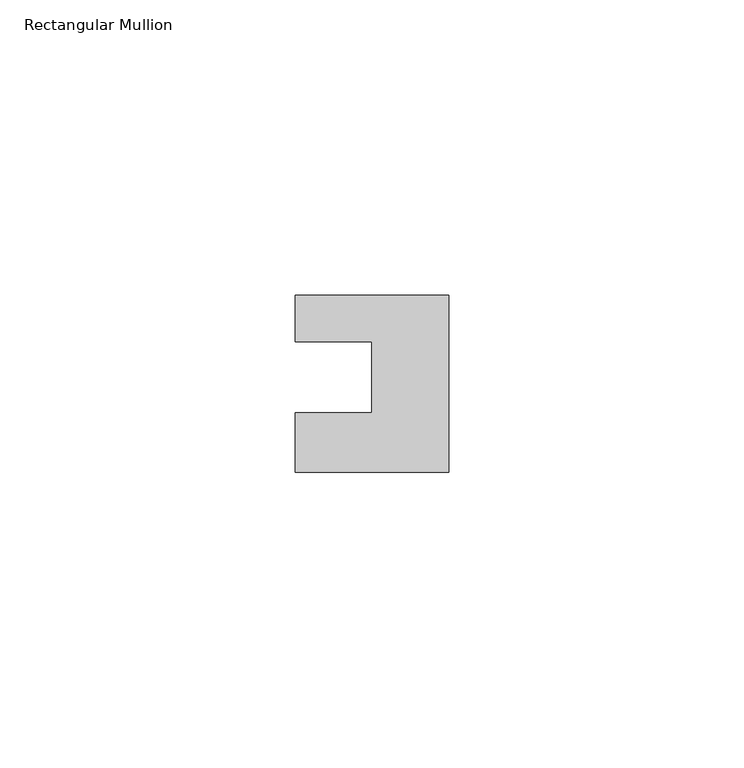
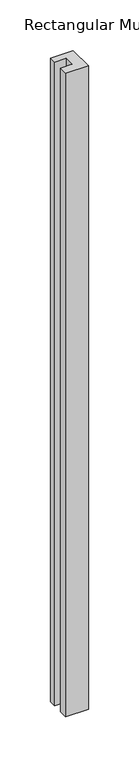
"""IFC4 building model written with IfcOpenShell, lengths in millimetres: member geometry, Rectangular Mullion."""

import ifcopenshell
import ifcopenshell.guid

model = None  # the IFC model being written
_history = None  # IfcOwnerHistory: only IFC2X3 demands one
_inside = {}  # id of a spatial element -> (the spatial element, [elements in it])
_under = {}  # id of a project, library or spatial element -> (it, [spatial elements below it])
_declared = {}  # id of a project -> (the project, [libraries it declares])
_typed = {}  # id of a type object -> (the type object, [elements of that type])
_made_of = {}  # id of a material, layer set ... -> (it, [elements and type objects made of it])


def new_model(schema):
    """Start an empty IFC model of exactly this schema.

    Asked for "IFC4X3", IfcOpenShell would pick the latest addendum, in which some entities
    have other attributes; the version numbers below select the first issue.
    IFC2X3 requires an IfcOwnerHistory on every rooted entity: one is made here for all.
    """
    global model, _history
    if schema == "IFC4X3":
        model = ifcopenshell.file(schema_version=(4, 3, 0, 0))
    else:
        model = ifcopenshell.file(schema=schema)
    _inside.clear()
    _under.clear()
    _declared.clear()
    _typed.clear()
    _made_of.clear()
    _history = None
    if model.schema == "IFC2X3":
        org = make("IfcOrganization", Name="unknown")
        user = make(
            "IfcPersonAndOrganization",
            ThePerson=make("IfcPerson", FamilyName="unknown"),
            TheOrganization=org,
        )
        app = make(
            "IfcApplication",
            ApplicationDeveloper=org,
            Version="unknown",
            ApplicationFullName="unknown",
            ApplicationIdentifier="unknown",
        )
        _history = make(
            "IfcOwnerHistory",
            OwningUser=user,
            OwningApplication=app,
            ChangeAction="ADDED",
            CreationDate=0,
        )
    return model


def make(cls, **values):
    """One entity of the class cls with the attributes given. An attribute that is None is left unset."""
    return model.create_entity(
        cls, **{name: value for name, value in values.items() if value is not None}
    )


def rooted(cls, **values):
    """An entity with a GlobalId (a new one), such as an element, a storey or a relation."""
    return make(cls, GlobalId=ifcopenshell.guid.new(), OwnerHistory=_history, **values)


def si_unit(unit_type, name, prefix=None):
    """IfcSIUnit, for example si_unit("LENGTHUNIT", "METRE", prefix="MILLI")."""
    return make("IfcSIUnit", UnitType=unit_type, Prefix=prefix, Name=name)


def assignment(units):
    """IfcUnitAssignment: the units of a project."""
    return None if units is None else make("IfcUnitAssignment", Units=units)


def point(xyz):
    """IfcCartesianPoint."""
    return None if xyz is None else make("IfcCartesianPoint", Coordinates=xyz)


def direction(xyz):
    """IfcDirection."""
    return None if xyz is None else make("IfcDirection", DirectionRatios=xyz)


def frame(location, z_axis=None, x_axis=None):
    """IfcAxis2Placement3D, a coordinate frame: its origin and axes. An axis left out is left unset."""
    return make(
        "IfcAxis2Placement3D",
        Location=point(location),
        Axis=direction(z_axis),
        RefDirection=direction(x_axis),
    )


def origin():
    """The frame at (0, 0, 0) with its axes left unset."""
    return frame((0.0, 0.0, 0.0))


def place(relative_to, where):
    """IfcLocalPlacement: puts the frame where relative to a parent placement (None: the world)."""
    return make(
        "IfcLocalPlacement", PlacementRelTo=relative_to, RelativePlacement=where
    )


def context(
    kind, dimensions, precision=None, world=None, true_north=None, identifier=None
):
    """IfcGeometricRepresentationContext, for example the 3D "Model" context."""
    return make(
        "IfcGeometricRepresentationContext",
        ContextIdentifier=identifier,
        ContextType=kind,
        CoordinateSpaceDimension=dimensions,
        Precision=precision,
        WorldCoordinateSystem=world,
        TrueNorth=true_north,
    )


def project(units=None, contexts=None):
    """IfcProject with its units and contexts."""
    return rooted(
        "IfcProject",
        Name="project",
        RepresentationContexts=contexts,
        UnitsInContext=assignment(units),
    )


def spatial(cls, under=None, at=None, **own):
    """A site, building, storey or space (cls), placed at a placement, below another one or the project."""
    s = rooted(cls, ObjectPlacement=at, **own)
    if under is not None:
        _under.setdefault(under.id(), (under, []))[1].append(s)
    return s


def polyline(points):
    """IfcPolyline through the points."""
    return make("IfcPolyline", Points=[point(p) for p in points])


def outline(outer, holes=None, kind="AREA"):
    """IfcArbitraryClosedProfileDef: a profile drawn as a closed curve; with holes, ...WithVoids."""
    if holes is None:
        return make("IfcArbitraryClosedProfileDef", ProfileType=kind, OuterCurve=outer)
    return make(
        "IfcArbitraryProfileDefWithVoids",
        ProfileType=kind,
        OuterCurve=outer,
        InnerCurves=holes,
    )


def extrude(swept, where, along, depth):
    """IfcExtrudedAreaSolid: the profile swept, set in the frame where, extruded along a direction by depth."""
    return make(
        "IfcExtrudedAreaSolid",
        SweptArea=swept,
        Position=where,
        ExtrudedDirection=direction(along),
        Depth=depth,
    )


def shape(context_of_items, identifier, shape_type, items):
    """IfcShapeRepresentation: the items that make up one representation, for example the "Body"."""
    return make(
        "IfcShapeRepresentation",
        ContextOfItems=context_of_items,
        RepresentationIdentifier=identifier,
        RepresentationType=shape_type,
        Items=items,
    )


def source(mapping_origin, context_of_items, identifier, shape_type, items):
    """IfcRepresentationMap: a shape defined once, which mapped items show again and again."""
    return make(
        "IfcRepresentationMap",
        MappingOrigin=mapping_origin,
        MappedRepresentation=shape(context_of_items, identifier, shape_type, items),
    )


def transform(
    local_origin,
    x_axis=None,
    y_axis=None,
    z_axis=None,
    scale=None,
    scale2=None,
    scale3=None,
    uniform=True,
):
    """IfcCartesianTransformationOperator3D, or its non-uniform kind. x_axis, y_axis, z_axis: its Axis1, 2, 3."""
    if uniform:
        return make(
            "IfcCartesianTransformationOperator3D",
            Axis1=direction(x_axis),
            Axis2=direction(y_axis),
            LocalOrigin=point(local_origin),
            Scale=scale,
            Axis3=direction(z_axis),
        )
    return make(
        "IfcCartesianTransformationOperator3DnonUniform",
        Axis1=direction(x_axis),
        Axis2=direction(y_axis),
        LocalOrigin=point(local_origin),
        Scale=scale,
        Axis3=direction(z_axis),
        Scale2=scale2,
        Scale3=scale3,
    )


def mapped(mapping_source, mapping_target):
    """IfcMappedItem: shows the shape of a source again, moved by a transform."""
    return make(
        "IfcMappedItem", MappingSource=mapping_source, MappingTarget=mapping_target
    )


def made_of(thing, what):
    """Note that an element or type object is made of a material, layer set ...; save() writes the relation."""
    if what is not None:
        _made_of.setdefault(what.id(), (what, []))[1].append(thing)
    return thing


def element(
    cls,
    number,
    at=None,
    inside=None,
    cuts=None,
    type_object=None,
    material=None,
    context=None,
    identifier="Body",
    shape_type=None,
    held_by="IfcProductDefinitionShape",
    body=None,
    shapes=None,
    **own,
):
    """One element of the class cls, such as IfcWall. Its Tag is "e" and its number.

    at: its placement. inside: the storey or other place that contains it. cuts: it is an
    opening in that element (IfcRelVoidsElement). A single representation is given by context,
    identifier, shape_type and body (its items); several are given by shapes. held_by: the class
    of the entity that holds the representations. save() writes the other relations.
    """
    e = rooted(cls, Tag="e%d" % number, ObjectPlacement=at, **own)
    if body is not None:
        shapes = [shape(context, identifier, shape_type, body)]
    if shapes is not None:
        e.Representation = make(held_by, Representations=shapes)
    if inside is not None:
        _inside.setdefault(inside.id(), (inside, []))[1].append(e)
    if cuts is not None:
        rooted(
            "IfcRelVoidsElement", RelatingBuildingElement=cuts, RelatedOpeningElement=e
        )
    if type_object is not None:
        _typed.setdefault(type_object.id(), (type_object, []))[1].append(e)
    return made_of(e, material)


def aggregate(whole, parts):
    """IfcRelAggregates: a whole, such as a stair, and the parts it consists of."""
    return rooted("IfcRelAggregates", RelatingObject=whole, RelatedObjects=parts)


def save(model, path):
    """Write the relations noted so far, then the file.

    IfcRelAggregates (storeys below a building ...), IfcRelContainedInSpatialStructure (elements
    in a storey), IfcRelDefinesByType, IfcRelAssociatesMaterial and IfcRelDeclares: one each for
    every whole, place, type object, material and project.
    """
    for whole, parts in _under.values():
        aggregate(whole, parts)
    for where, things in _inside.values():
        rooted(
            "IfcRelContainedInSpatialStructure",
            RelatedElements=things,
            RelatingStructure=where,
        )
    for kind, things in _typed.values():
        rooted("IfcRelDefinesByType", RelatedObjects=things, RelatingType=kind)
    for what, things in _made_of.values():
        rooted("IfcRelAssociatesMaterial", RelatedObjects=things, RelatingMaterial=what)
    for by, libraries in _declared.values():
        rooted("IfcRelDeclares", RelatingContext=by, RelatedDefinitions=libraries)
    model.write(path)


def rectangular_mullion_48ce0083(model_context):
    return source(origin(), model_context, "Body", "SweptSolid", [
        extrude(outline(polyline([(-26.0, 0.001), (-26.0, 7.94), (0.0, 7.94), (0.0, -22.06), (-26.0, -22.06), (-26.0, -12.0), (-13.0, -12.0), (-13.0, 0.001), (-26.0, 0.001)])), frame((0.0, 0.0, -776.0), z_axis=(0.0, 0.0, 1.0), x_axis=(1.0, 0.0, 0.0)), (0.0, 0.0, 1.0), 776.0),
    ])


if __name__ == "__main__":
    model = new_model("IFC4")
    model_context = context("Model", 3, world=origin())
    ifc_project = project(units=[si_unit("LENGTHUNIT", "METRE", prefix="MILLI")], contexts=[model_context])
    site = spatial("IfcSite", under=ifc_project)
    building = spatial("IfcBuilding", under=site)
    placement = place(None, origin())
    rectangular_mullion_shape = rectangular_mullion_48ce0083(model_context)
    element("IfcMember", 1, ObjectType="Rectangular Mullion", at=placement, inside=building, context=model_context, shape_type="MappedRepresentation", body=[
        mapped(rectangular_mullion_shape, transform((0.0, 0.0, 0.0), x_axis=(1.0, 0.0, 0.0), y_axis=(0.0, 1.0, 0.0), z_axis=(0.0, 0.0, 1.0))),
    ])
    save(model, "model.ifc")
